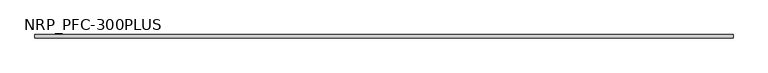
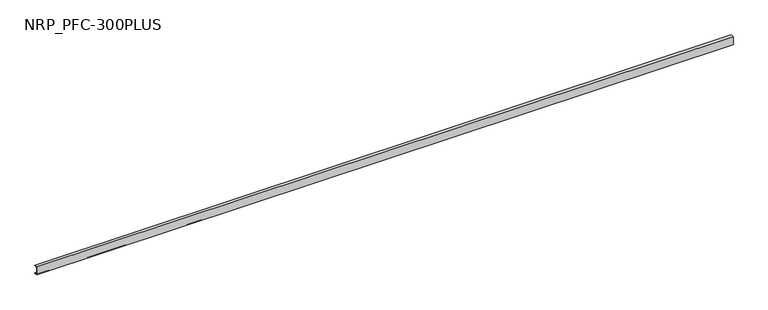
"""IFC4 building model written with IfcOpenShell, lengths in millimetres: beam geometry, NRP_PFC-300PLUS."""

from ifc_helpers import new_model, si_unit, point, frame, frame_2d, origin, place, context, project, spatial, polyline, circle_curve, trimmed, segment, composite_curve, outline, extrude, source, transform, mapped, element, save


def nrp_pfc_300plus_b34481c2(model_context):
    return source(origin(), model_context, "Body", "SweptSolid", [
        extrude(outline(composite_curve([segment(polyline([(-24.4, 100.0), (50.6, 100.0), (50.6, 88.0), (-6.4, 88.0)]), True, "CONTINUOUS"), segment(trimmed(circle_curve(frame_2d((-6.4, 76.0)), 12.0), [point((-6.4, 88.0))], [point((-18.4, 76.0))], True, "CARTESIAN"), True, "CONTINUOUS"), segment(polyline([(-18.4, 76.0), (-18.4, -76.0)]), True, "CONTINUOUS"), segment(trimmed(circle_curve(frame_2d((-6.4, -76.0)), 12.0), [point((-18.4, -76.0))], [point((-6.4, -88.0))], True, "CARTESIAN"), True, "CONTINUOUS"), segment(polyline([(-6.4, -88.0), (50.6, -88.0), (50.6, -100.0), (-24.4, -100.0), (-24.4, 100.0)]), True, "CONTINUOUS")], self_intersect=False)), frame((-8197.5, 0.0, 0.0), z_axis=(1.0, 0.0, 0.0), x_axis=(0.0, 1.0, 0.0)), (0.0, 0.0, 1.0), 16396.0),
    ])


if __name__ == "__main__":
    model = new_model("IFC4")
    model_context = context("Model", 3, world=origin())
    ifc_project = project(units=[si_unit("LENGTHUNIT", "METRE", prefix="MILLI")], contexts=[model_context])
    site = spatial("IfcSite", under=ifc_project)
    building = spatial("IfcBuilding", under=site)
    placement = place(None, origin())
    nrp_pfc_300plus_shape = nrp_pfc_300plus_b34481c2(model_context)
    element("IfcBeam", 1, ObjectType="NRP_PFC-300PLUS", at=placement, inside=building, context=model_context, shape_type="MappedRepresentation", body=[
        mapped(nrp_pfc_300plus_shape, transform((0.0, 0.0, 0.0), x_axis=(1.0, 0.0, 0.0), y_axis=(0.0, 1.0, 0.0), z_axis=(0.0, 0.0, 1.0))),
    ])
    save(model, "model.ifc")
